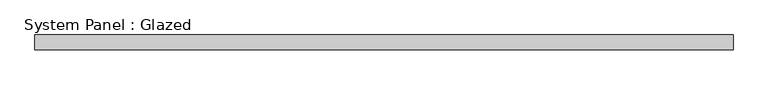
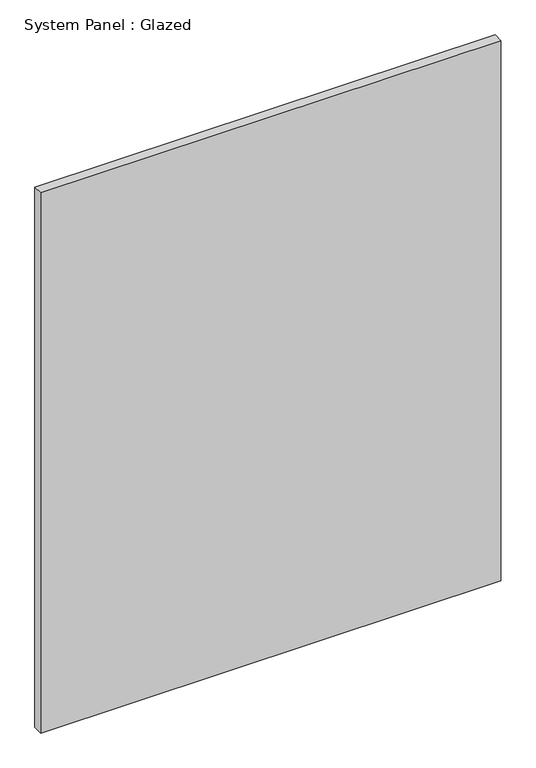
"""IFC4 building model written with IfcOpenShell, lengths in millimetres: plate geometry, System Panel : Glazed."""

from ifc_helpers import new_model, si_unit, origin, origin_with_axes, place, context, project, spatial, polyline, outline, extrude, source, transform, mapped, element, save


def system_panel_glazed_a5c8339f(model_context):
    return source(origin(), model_context, "Body", "SweptSolid", [
        extrude(outline(polyline([(587.375, -12.5), (-587.375, -12.5), (-587.375, 12.5), (587.375, 12.5), (587.375, -12.5)])), origin_with_axes(), (0.0, 0.0, 1.0), 1457.325),
    ])


if __name__ == "__main__":
    model = new_model("IFC4")
    model_context = context("Model", 3, world=origin())
    ifc_project = project(units=[si_unit("LENGTHUNIT", "METRE", prefix="MILLI")], contexts=[model_context])
    site = spatial("IfcSite", under=ifc_project)
    building = spatial("IfcBuilding", under=site)
    placement = place(None, origin())
    system_panel_glazed_shape = system_panel_glazed_a5c8339f(model_context)
    element("IfcPlate", 1, ObjectType="System Panel : Glazed", at=placement, inside=building, context=model_context, shape_type="MappedRepresentation", body=[
        mapped(system_panel_glazed_shape, transform((0.0, 0.0, 0.0), x_axis=(1.0, 0.0, 0.0), y_axis=(0.0, 1.0, 0.0), z_axis=(0.0, 0.0, 1.0))),
    ])
    save(model, "model.ifc")
